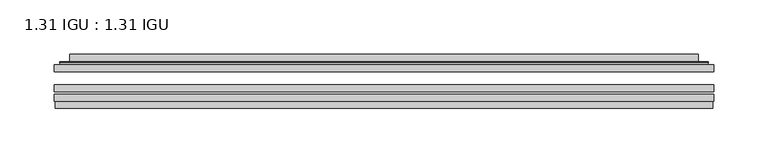
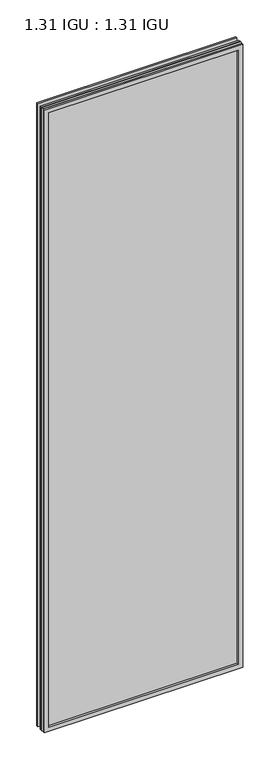
"""IFC4 building model written with IfcOpenShell, lengths in millimetres: plate geometry, 1.31 IGU : 1.31 IGU."""

from ifc_helpers import new_model, si_unit, frame, origin, place, context, project, spatial, polyline, ellipse_curve, outline, extrude, faceted_brep, source, transform, mapped, element, save
from ifc_brep_helpers import plane_surface, cylinder_surface, advanced_brep


def plate_1_31_igu_1_31_igu_c2dd6817(model_context):
    return source(origin(), model_context, "Body", "SolidModel", [
        extrude(outline(polyline([(303.2298663, -63.59525), (303.2298663, -69.94525), (-303.2156913, -69.94525), (-303.2156913, -63.59525), (303.2298663, -63.59525)])), frame((0.0, 0.0, -14.2875), z_axis=(0.0, 0.0, 1.0), x_axis=(1.0, 0.0, 0.0)), (0.0, 0.0, 1.0), 2009.8015278),
        extrude(outline(polyline([(-303.2156913, -78.58125), (-303.2156913, -72.230745), (303.2298663, -72.230745), (303.2298663, -78.58125), (-303.2156913, -78.58125)])), frame((0.0, 0.0, -14.2875), z_axis=(0.0, 0.0, 1.0), x_axis=(1.0, 0.0, 0.0)), (0.0, 0.0, 1.0), 2009.8015278),
        extrude(outline(polyline([(303.2298663, -45.25645), (303.2298663, -51.60645), (-303.2156913, -51.60645), (-303.2156913, -45.25645), (303.2298663, -45.25645)])), frame((0.0, 0.0, -14.2875), z_axis=(0.0, 0.0, 1.0), x_axis=(1.0, 0.0, 0.0)), (0.0, 0.0, 1.0), 2009.8015278),
        faceted_brep([(-302.5155055, -84.93125, 1994.8100441), (-302.5155055, -78.58125, 1994.8100441), (-302.5155055, -78.58125, -13.5873142), (-302.5155055, -84.93125, -13.5873142), (302.5155055, -78.58125, -13.5873142), (302.5155055, -84.93125, -13.5873142), (302.5155055, -78.58125, 1994.8100441), (302.5155055, -84.93125, 1994.8100441), (-288.0304472, -78.58125, 0.8977441), (288.0304472, -78.58125, 0.8977441), (288.0304472, -78.58125, 1980.3249858), (-288.0304472, -78.58125, 1980.3249858), (-288.9228815, -84.93125, 1981.2174201), (288.9228815, -84.93125, 1981.2174201), (288.9228815, -84.93125, 0.0053098), (-288.9228815, -84.93125, 0.0053098)], [[[0, 1, 2, 3]], [[3, 2, 4, 5]], [[5, 4, 6, 7]], [[1, 6, 4, 2], [8, 9, 10, 11]], [[7, 6, 1, 0]], [[3, 5, 7, 0], [12, 13, 14, 15]], [[11, 12, 15, 8]], [[8, 15, 14, 9]], [[9, 14, 13, 10]], [[10, 13, 12, 11]]]),
        advanced_brep(
        [(-295.9744103, -45.25645, 1988.2689489), (-298.3286157, -43.2667833, 1990.6231543), (-298.3286157, -43.2667833, -9.4004244), (-295.9744103, -45.25645, -7.046219), (-286.9000852, -41.416413, 1979.1946238), (-281.9652534, -45.25645, 1974.2597919), (-281.9652534, -45.25645, 6.9629379), (-286.9000852, -41.416413, 2.0281061), (-287.932113, -36.0191819, 1980.2266515), (-287.932113, -36.0191819, 0.9960783), (-288.9227697, -35.6202069, 1981.2173083), (-288.9227697, -35.6202069, 0.0054216), (-288.9227697, -42.08145, 1981.2173083), (-288.9227697, -42.08145, 0.0054216), (-297.3268262, -42.08145, 1989.6213648), (-297.3268262, -42.08145, -8.3986349), (298.3286157, -43.2667833, -9.4004244), (295.9744103, -45.25645, -7.046219), (281.9652534, -45.25645, 6.9629379), (286.9000852, -41.416413, 2.0281061), (287.932113, -36.0191819, 0.9960783), (288.9227697, -35.6202069, 0.0054216), (288.9227697, -42.08145, 0.0054216), (297.3268262, -42.08145, -8.3986349), (298.3286157, -43.2667833, 1990.6231543), (295.9744103, -45.25645, 1988.2689489), (281.9652534, -45.25645, 1974.2597919), (286.9000852, -41.416413, 1979.1946238), (287.932113, -36.0191819, 1980.2266515), (288.9227697, -35.6202069, 1981.2173083), (288.9227697, -42.08145, 1981.2173083), (297.3268262, -42.08145, 1989.6213648)],
        [
            (0, 1, ellipse_curve(frame((-295.9744103, -42.86885, 1988.2689489), z_axis=(-0.7071067811865475, 0.0, -0.7071067811865475), x_axis=(-0.7071067811865474, 0.0, 0.7071067811865476)), 3.3765763, 2.3876)),
            (1, 2),
            (2, 3, ellipse_curve(frame((-295.9744103, -42.86885, -7.046219), z_axis=(-0.7071067811865475, 0.0, 0.7071067811865475), x_axis=(0.7071067811865474, 0.0, 0.7071067811865476)), 3.3765763, 2.3876)),
            (3, 0),
            (4, 5),
            (5, 6),
            (6, 7),
            (7, 4),
            (8, 4),
            (7, 9),
            (9, 8),
            (10, 8, ellipse_curve(frame((-288.5558132, -36.1384423, 1980.8503517), z_axis=(-0.7071067811865475, 0.0, -0.7071067811865475), x_axis=(-0.7071067811865474, 0.0, 0.7071067811865476)), 0.8980256, 0.635)),
            (9, 11, ellipse_curve(frame((-288.5558132, -36.1384423, 0.3723781), z_axis=(-0.7071067811865475, 0.0, 0.7071067811865475), x_axis=(0.7071067811865474, 0.0, 0.7071067811865476)), 0.8980256, 0.635)),
            (11, 10),
            (12, 10),
            (11, 13),
            (13, 12),
            (1, 14, ellipse_curve(frame((-297.3268262, -43.09745, 1989.6213648), z_axis=(-0.7071067811865475, 0.0, -0.7071067811865475), x_axis=(-0.7071067811865474, 0.0, 0.7071067811865476)), 1.436841, 1.016)),
            (14, 15),
            (15, 2, ellipse_curve(frame((-297.3268262, -43.09745, -8.3986349), z_axis=(-0.7071067811865475, 0.0, 0.7071067811865475), x_axis=(0.7071067811865474, 0.0, 0.7071067811865476)), 1.436841, 1.016)),
            (2, 16),
            (16, 17, ellipse_curve(frame((295.9744103, -42.86885, -7.046219), z_axis=(-0.7071067811865475, 0.0, -0.7071067811865475), x_axis=(-0.7071067811865476, 0.0, 0.7071067811865474)), 3.3765763, 2.3876)),
            (17, 3),
            (6, 18),
            (18, 19),
            (19, 7),
            (19, 20),
            (20, 9),
            (20, 21, ellipse_curve(frame((288.5558132, -36.1384423, 0.3723781), z_axis=(-0.7071067811865475, 0.0, -0.7071067811865475), x_axis=(-0.7071067811865476, 0.0, 0.7071067811865474)), 0.8980256, 0.635)),
            (21, 11),
            (21, 22),
            (22, 13),
            (15, 23),
            (23, 16, ellipse_curve(frame((297.3268262, -43.09745, -8.3986349), z_axis=(-0.7071067811865475, 0.0, -0.7071067811865475), x_axis=(-0.7071067811865476, 0.0, 0.7071067811865474)), 1.436841, 1.016)),
            (16, 24),
            (24, 25, ellipse_curve(frame((295.9744103, -42.86885, 1988.2689489), z_axis=(0.7071067811865475, 0.0, -0.7071067811865475), x_axis=(-0.7071067811865474, 0.0, -0.7071067811865476)), 3.3765763, 2.3876)),
            (25, 17),
            (18, 26),
            (26, 27),
            (27, 19),
            (27, 28),
            (28, 20),
            (28, 29, ellipse_curve(frame((288.5558132, -36.1384423, 1980.8503517), z_axis=(0.7071067811865475, 0.0, -0.7071067811865475), x_axis=(-0.7071067811865474, 0.0, -0.7071067811865476)), 0.8980256, 0.635)),
            (29, 21),
            (29, 30),
            (30, 22),
            (23, 31),
            (31, 24, ellipse_curve(frame((297.3268262, -43.09745, 1989.6213648), z_axis=(0.7071067811865475, 0.0, -0.7071067811865475), x_axis=(-0.7071067811865474, 0.0, -0.7071067811865476)), 1.436841, 1.016)),
            (24, 1),
            (0, 25),
            (5, 26),
            (4, 27),
            (8, 28),
            (10, 29),
            (12, 30),
            (14, 31),
        ],
        [
            cylinder_surface(frame((-295.9744103, -42.86885, 2012.9727299), z_axis=(0.0, 0.0, 1.0), x_axis=(-1.0, 0.0, 0.0)), 2.3876),
            plane_surface(frame((-281.9652534, -45.25645, 1974.2597919), z_axis=(0.6141233906514794, 0.7892100234124821, 0.0), x_axis=(0.0, 0.0, -1.0))),
            plane_surface(frame((-286.9000852, -41.416413, 1979.1946238), z_axis=(0.9822050625507729, 0.18781164793386076, 0.0), x_axis=(0.0, 0.0, -1.0))),
            cylinder_surface(frame((-288.5558132, -36.1384423, 2012.9727299), z_axis=(0.0, 0.0, 1.0), x_axis=(-1.0, 0.0, 0.0)), 0.635),
            plane_surface(frame((-288.9227697, -35.6202069, 1981.2173083), z_axis=(-1.0, 0.0, 0.0), x_axis=(0.0, 0.0, -1.0))),
            cylinder_surface(frame((-297.3268262, -43.09745, 2012.9727299), z_axis=(0.0, 0.0, 1.0), x_axis=(-1.0, 0.0, 0.0)), 1.016),
            cylinder_surface(frame((-320.6781913, -42.86885, -7.046219), z_axis=(-1.0, 0.0, 0.0), x_axis=(0.0, 0.0, -1.0)), 2.3876),
            plane_surface(frame((-281.9652534, -45.25645, 6.9629379), z_axis=(0.0, 0.7892100234124841, 0.6141233906514768), x_axis=(1.0, 0.0, 0.0))),
            plane_surface(frame((-286.9000852, -41.416413, 2.0281061), z_axis=(0.0, 0.18781164793386393, 0.9822050625507723), x_axis=(1.0, 0.0, 0.0))),
            cylinder_surface(frame((-320.6781913, -36.1384423, 0.3723781), z_axis=(-1.0, 0.0, 0.0), x_axis=(0.0, 0.0, -1.0)), 0.635),
            plane_surface(frame((-288.9227697, -35.6202069, 0.0054216), z_axis=(0.0, 0.0, -1.0), x_axis=(1.0, 0.0, 0.0))),
            cylinder_surface(frame((-320.6781913, -43.09745, -8.3986349), z_axis=(-1.0, 0.0, 0.0), x_axis=(0.0, 0.0, -1.0)), 1.016),
            cylinder_surface(frame((295.9744103, -42.86885, -31.75), z_axis=(0.0, 0.0, -1.0), x_axis=(1.0, 0.0, 0.0)), 2.3876),
            plane_surface(frame((281.9652534, -45.25645, 6.9629379), z_axis=(-0.6141233906514743, 0.7892100234124861, 0.0), x_axis=(0.0, 0.0, 1.0))),
            plane_surface(frame((286.9000852, -41.416413, 2.0281061), z_axis=(-0.9822050625507718, 0.1878116479338671, 0.0), x_axis=(0.0, 0.0, 1.0))),
            cylinder_surface(frame((288.5558132, -36.1384423, -31.75), z_axis=(0.0, 0.0, -1.0), x_axis=(1.0, 0.0, 0.0)), 0.635),
            plane_surface(frame((288.9227697, -35.6202069, 0.0054216), z_axis=(1.0, 0.0, 0.0), x_axis=(0.0, 0.0, 1.0))),
            cylinder_surface(frame((297.3268262, -43.09745, -31.75), z_axis=(0.0, 0.0, -1.0), x_axis=(1.0, 0.0, 0.0)), 1.016),
            cylinder_surface(frame((320.6781913, -42.86885, 1988.2689489), z_axis=(1.0, 0.0, 0.0), x_axis=(0.0, 0.0, 1.0)), 2.3876),
            plane_surface(frame((295.9744103, -45.25645, 1988.2689489), z_axis=(0.0, -1.0, 0.0), x_axis=(-1.0, 0.0, 0.0))),
            plane_surface(frame((281.9652534, -45.25645, 1974.2597919), z_axis=(0.0, 0.7892100234124841, -0.6141233906514768), x_axis=(-1.0, 0.0, 0.0))),
            plane_surface(frame((286.9000852, -41.416413, 1979.1946238), z_axis=(0.0, 0.18781164793386393, -0.9822050625507723), x_axis=(-1.0, 0.0, 0.0))),
            cylinder_surface(frame((320.6781913, -36.1384423, 1980.8503517), z_axis=(1.0, 0.0, 0.0), x_axis=(0.0, 0.0, 1.0)), 0.635),
            plane_surface(frame((288.9227697, -35.6202069, 1981.2173083), z_axis=(0.0, 0.0, 1.0), x_axis=(-1.0, 0.0, 0.0))),
            plane_surface(frame((288.9227697, -42.08145, 1981.2173083), z_axis=(0.0, 1.0, 0.0), x_axis=(-1.0, 0.0, 0.0))),
            cylinder_surface(frame((320.6781913, -43.09745, 1989.6213648), z_axis=(1.0, 0.0, 0.0), x_axis=(0.0, 0.0, 1.0)), 1.016),
        ],
        [
            (0, [[1, 2, 3, 4]]),
            (1, [[5, 6, 7, 8]]),
            (2, [[9, -8, 10, 11]]),
            (3, [[12, -11, 13, 14]]),
            (4, [[15, -14, 16, 17]]),
            (5, [[18, 19, 20, -2]]),
            (6, [[-3, 21, 22, 23]]),
            (7, [[-7, 24, 25, 26]]),
            (8, [[-10, -26, 27, 28]]),
            (9, [[-13, -28, 29, 30]]),
            (10, [[-16, -30, 31, 32]]),
            (11, [[-20, 33, 34, -21]]),
            (12, [[-22, 35, 36, 37]]),
            (13, [[-25, 38, 39, 40]]),
            (14, [[-27, -40, 41, 42]]),
            (15, [[-29, -42, 43, 44]]),
            (16, [[-31, -44, 45, 46]]),
            (17, [[-34, 47, 48, -35]]),
            (18, [[-36, 49, -1, 50]]),
            (19, [[-23, -37, -50, -4], [51, -38, -24, -6]]),
            (20, [[-39, -51, -5, 52]]),
            (21, [[-41, -52, -9, 53]]),
            (22, [[-43, -53, -12, 54]]),
            (23, [[-45, -54, -15, 55]]),
            (24, [[56, -47, -33, -19], [-32, -46, -55, -17]]),
            (25, [[-48, -56, -18, -49]]),
        ],
    ),
    ])


if __name__ == "__main__":
    model = new_model("IFC4")
    model_context = context("Model", 3, world=origin())
    ifc_project = project(units=[si_unit("LENGTHUNIT", "METRE", prefix="MILLI")], contexts=[model_context])
    site = spatial("IfcSite", under=ifc_project)
    building = spatial("IfcBuilding", under=site)
    placement = place(None, origin())
    plate_1_31_igu_1_31_igu_shape = plate_1_31_igu_1_31_igu_c2dd6817(model_context)
    element("IfcPlate", 1, ObjectType="1.31 IGU : 1.31 IGU", at=placement, inside=building, context=model_context, shape_type="MappedRepresentation", body=[
        mapped(plate_1_31_igu_1_31_igu_shape, transform((0.0, 0.0, 0.0), x_axis=(1.0, 0.0, 0.0), y_axis=(0.0, 1.0, 0.0), z_axis=(0.0, 0.0, 1.0))),
    ])
    save(model, "model.ifc")
